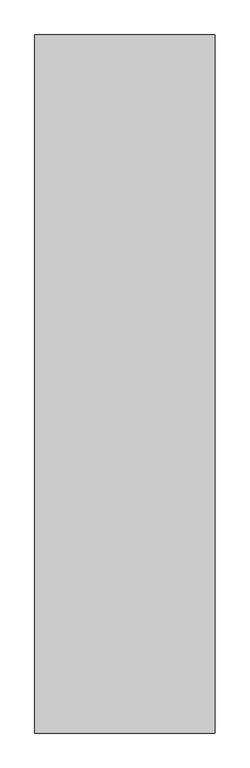
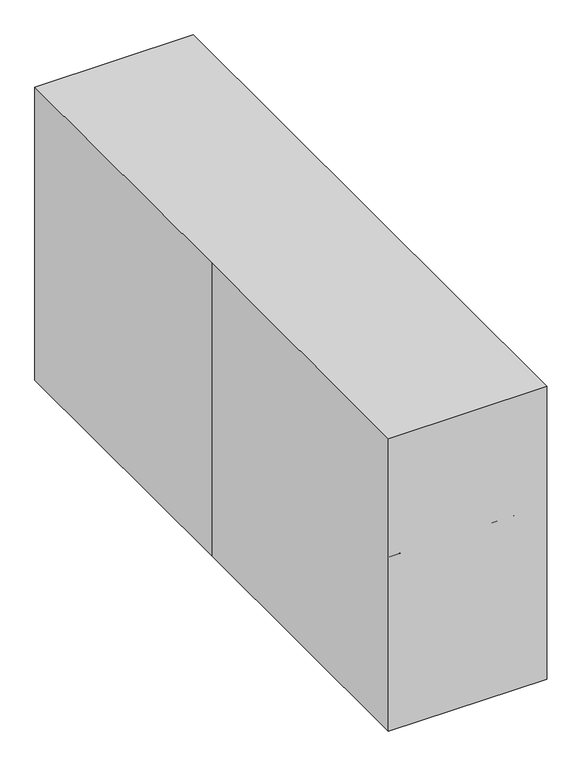
"""IFC4 building model written with IfcOpenShell, lengths in millimetres: proxy geometry."""

from ifc_helpers import new_model, si_unit, point, frame, frame_2d, origin, origin_with_axes, place, context, project, spatial, polyline, circle_curve, ellipse_curve, trimmed, segment, composite_curve, outline, extrude, source, transform, mapped, element, save
from ifc_brep_helpers import plane_surface, cylinder_surface, revolved_surface, advanced_brep


def specialty_equipment_2b31abdf(model_context):
    return source(origin(), model_context, "Body", "SolidModel", [
        extrude(outline(composite_curve([segment(polyline([(-701.3262062, 68.58), (-637.8262062, 68.58), (-637.8262062, 68.2285141), (-660.924924, 23.4282079)]), True, "CONTINUOUS"), segment(trimmed(circle_curve(frame_2d((-679.9377612, 33.231091)), 21.3912247), [point((-660.924924, 23.4282079))], [point((-701.3262062, 32.886248))], False, "CARTESIAN"), True, "CONTINUOUS"), segment(polyline([(-701.3262062, 32.886248), (-701.3262062, 68.58)]), True, "CONTINUOUS")], self_intersect=False)), frame((-214.2384318, 0.0, 0.0), z_axis=(1.0, 0.0, 0.0), x_axis=(0.0, 1.0, 0.0)), (0.0, 0.0, 1.0), 6.35),
        extrude(outline(composite_curve([segment(polyline([(-701.3262062, 68.58), (-637.8262062, 68.58), (-637.8262062, 68.2285141), (-660.924924, 23.4282079)]), True, "CONTINUOUS"), segment(trimmed(circle_curve(frame_2d((-679.9377612, 33.231091)), 21.3912247), [point((-660.924924, 23.4282079))], [point((-701.3262062, 32.886248))], False, "CARTESIAN"), True, "CONTINUOUS"), segment(polyline([(-701.3262062, 32.886248), (-701.3262062, 68.58)]), True, "CONTINUOUS")], self_intersect=False)), frame((-169.7884318, 0.0, 0.0), z_axis=(1.0, 0.0, 0.0), x_axis=(0.0, 1.0, 0.0)), (0.0, 0.0, 1.0), 6.35),
        extrude(outline(composite_curve([segment(polyline([(-701.3262062, 68.58), (-637.8262062, 68.58), (-637.8262062, 67.452784), (-662.8985161, 20.2986271)]), True, "CONTINUOUS"), segment(trimmed(circle_curve(frame_2d((-679.9377612, 33.231091)), 21.3912247), [point((-662.8985161, 20.2986271))], [point((-701.3262062, 32.886248))], False, "CARTESIAN"), True, "CONTINUOUS"), segment(polyline([(-701.3262062, 32.886248), (-701.3262062, 68.58)]), True, "CONTINUOUS")], self_intersect=False)), frame((166.7615682, 0.0, 0.0), z_axis=(1.0, 0.0, 0.0), x_axis=(0.0, 1.0, 0.0)), (0.0, 0.0, 1.0), 6.35),
        extrude(outline(composite_curve([segment(polyline([(-701.3262062, 68.58), (-637.8262062, 68.58), (-637.8262062, 67.452784), (-662.8985161, 20.2986271)]), True, "CONTINUOUS"), segment(trimmed(circle_curve(frame_2d((-679.9377612, 33.231091)), 21.3912247), [point((-662.8985161, 20.2986271))], [point((-701.3262062, 32.886248))], False, "CARTESIAN"), True, "CONTINUOUS"), segment(polyline([(-701.3262062, 32.886248), (-701.3262062, 68.58)]), True, "CONTINUOUS")], self_intersect=False)), frame((211.2115682, 0.0, 0.0), z_axis=(1.0, 0.0, 0.0), x_axis=(0.0, 1.0, 0.0)), (0.0, 0.0, 1.0), 6.35),
        extrude(outline(composite_curve([segment(polyline([(98.7737938, 68.58), (162.2737938, 68.58), (138.8562809, 23.1613859)]), True, "CONTINUOUS"), segment(trimmed(circle_curve(frame_2d((119.9947663, 32.886248)), 21.2209725), [point((138.8562809, 23.1613859))], [point((119.9947663, 11.6652755))], False, "CARTESIAN"), True, "CONTINUOUS"), segment(trimmed(circle_curve(frame_2d((119.9947663, 32.886248)), 21.2209725), [point((119.9947663, 11.6652755))], [point((98.7737938, 32.886248))], False, "CARTESIAN"), True, "CONTINUOUS"), segment(polyline([(98.7737938, 32.886248), (98.7737938, 68.58)]), True, "CONTINUOUS")], self_intersect=False)), frame((166.7615682, 0.0, 0.0), z_axis=(1.0, 0.0, 0.0), x_axis=(0.0, 1.0, 0.0)), (0.0, 0.0, 1.0), 6.35),
        extrude(outline(composite_curve([segment(polyline([(98.7737938, 68.58), (162.2737938, 68.58), (138.8562809, 23.1613859)]), True, "CONTINUOUS"), segment(trimmed(circle_curve(frame_2d((119.9947663, 32.886248)), 21.2209725), [point((138.8562809, 23.1613859))], [point((119.9947663, 11.6652755))], False, "CARTESIAN"), True, "CONTINUOUS"), segment(trimmed(circle_curve(frame_2d((119.9947663, 32.886248)), 21.2209725), [point((119.9947663, 11.6652755))], [point((98.7737938, 32.886248))], False, "CARTESIAN"), True, "CONTINUOUS"), segment(polyline([(98.7737938, 32.886248), (98.7737938, 68.58)]), True, "CONTINUOUS")], self_intersect=False)), frame((211.2115682, 0.0, 0.0), z_axis=(1.0, 0.0, 0.0), x_axis=(0.0, 1.0, 0.0)), (0.0, 0.0, 1.0), 6.35),
        extrude(outline(composite_curve([segment(polyline([(98.7737938, 68.58), (162.2737938, 68.58), (162.2737938, 68.2285141), (139.175076, 23.4282079)]), True, "CONTINUOUS"), segment(trimmed(circle_curve(frame_2d((120.1622388, 33.231091)), 21.3912247), [point((139.175076, 23.4282079))], [point((98.7737938, 32.886248))], False, "CARTESIAN"), True, "CONTINUOUS"), segment(polyline([(98.7737938, 32.886248), (98.7737938, 68.58)]), True, "CONTINUOUS")], self_intersect=False)), frame((-214.2384318, 0.0, 0.0), z_axis=(1.0, 0.0, 0.0), x_axis=(0.0, 1.0, 0.0)), (0.0, 0.0, 1.0), 6.35),
        extrude(outline(composite_curve([segment(polyline([(98.7737938, 68.58), (162.2737938, 68.58), (162.2737938, 68.2285141), (139.175076, 23.4282079)]), True, "CONTINUOUS"), segment(trimmed(circle_curve(frame_2d((120.1622388, 33.231091)), 21.3912247), [point((139.175076, 23.4282079))], [point((98.7737938, 32.886248))], False, "CARTESIAN"), True, "CONTINUOUS"), segment(polyline([(98.7737938, 32.886248), (98.7737938, 68.58)]), True, "CONTINUOUS")], self_intersect=False)), frame((-169.7884318, 0.0, 0.0), z_axis=(1.0, 0.0, 0.0), x_axis=(0.0, 1.0, 0.0)), (0.0, 0.0, 1.0), 6.35),
        extrude(outline(composite_curve([segment(trimmed(circle_curve(frame_2d((-207.6028702, -735.8269081)), 19.05), [point((-207.6028702, -754.8769081))], [point((-207.6028702, -716.7769081))], False, "CARTESIAN"), True, "CONTINUOUS"), segment(trimmed(circle_curve(frame_2d((-207.6028702, -735.8269081)), 19.05), [point((-207.6028702, -716.7769081))], [point((-207.6028702, -754.8769081))], False, "CARTESIAN"), True, "CONTINUOUS")], self_intersect=False)), frame((0.0, 0.0, 13.97), z_axis=(0.0, 0.0, 1.0), x_axis=(1.0, 0.0, 0.0)), (0.0, 0.0, 1.0), 17.78),
        extrude(outline(composite_curve([segment(trimmed(circle_curve(frame_2d((204.9105492, -735.8439734)), 19.05), [point((204.9105492, -754.8939734))], [point((204.9105492, -716.7939734))], False, "CARTESIAN"), True, "CONTINUOUS"), segment(trimmed(circle_curve(frame_2d((204.9105492, -735.8439734)), 19.05), [point((204.9105492, -716.7939734))], [point((204.9105492, -754.8939734))], False, "CARTESIAN"), True, "CONTINUOUS")], self_intersect=False)), frame((0.0, 0.0, 13.97), z_axis=(0.0, 0.0, 1.0), x_axis=(1.0, 0.0, 0.0)), (0.0, 0.0, 1.0), 17.78),
        extrude(outline(composite_curve([segment(trimmed(circle_curve(frame_2d((209.3414933, 29.2627713)), 19.05), [point((209.3414933, 10.2127713))], [point((209.3414933, 48.3127713))], False, "CARTESIAN"), True, "CONTINUOUS"), segment(trimmed(circle_curve(frame_2d((209.3414933, 29.2627713)), 19.05), [point((209.3414933, 48.3127713))], [point((209.3414933, 10.2127713))], False, "CARTESIAN"), True, "CONTINUOUS")], self_intersect=False)), frame((0.0, 0.0, 13.97), z_axis=(0.0, 0.0, 1.0), x_axis=(1.0, 0.0, 0.0)), (0.0, 0.0, 1.0), 17.78),
        extrude(outline(composite_curve([segment(trimmed(circle_curve(frame_2d((-204.9324436, 29.2627713)), 19.05), [point((-204.9324436, 48.3127713))], [point((-204.9324436, 10.2127713))], False, "CARTESIAN"), True, "CONTINUOUS"), segment(trimmed(circle_curve(frame_2d((-204.9324436, 29.2627713)), 19.05), [point((-204.9324436, 10.2127713))], [point((-204.9324436, 48.3127713))], False, "CARTESIAN"), True, "CONTINUOUS")], self_intersect=False)), frame((0.0, 0.0, 13.97), z_axis=(0.0, 0.0, 1.0), x_axis=(1.0, 0.0, 0.0)), (0.0, 0.0, 1.0), 17.78),
        extrude(outline(polyline([(-227.1574436, 51.4877713), (-182.7074436, 51.4877713), (-182.7074436, 7.0377713), (-227.1574436, 7.0377713), (-227.1574436, 51.4877713)])), frame((0.0, 0.0, 31.75), z_axis=(0.0, 0.0, 1.0), x_axis=(1.0, 0.0, 0.0)), (0.0, 0.0, 1.0), 38.1),
        extrude(outline(polyline([(187.1164933, 51.4877713), (231.5664933, 51.4877713), (231.5664933, 7.0377713), (187.1164933, 7.0377713), (187.1164933, 51.4877713)])), frame((0.0, 0.0, 31.75), z_axis=(0.0, 0.0, 1.0), x_axis=(1.0, 0.0, 0.0)), (0.0, 0.0, 1.0), 38.1),
        extrude(outline(polyline([(182.6855492, -713.6189734), (227.1355492, -713.6189734), (227.1355492, -758.0689734), (182.6855492, -758.0689734), (182.6855492, -713.6189734)])), frame((0.0, 0.0, 31.75), z_axis=(0.0, 0.0, 1.0), x_axis=(1.0, 0.0, 0.0)), (0.0, 0.0, 1.0), 38.1),
        extrude(outline(polyline([(-229.8278702, -713.6189734), (-185.3778702, -713.6189734), (-185.3778702, -758.0689734), (-229.8278702, -758.0689734), (-229.8278702, -713.6189734)])), frame((0.0, 0.0, 31.75), z_axis=(0.0, 0.0, 1.0), x_axis=(1.0, 0.0, 0.0)), (0.0, 0.0, 1.0), 38.1),
        advanced_brep(
        [(234.95, 162.4550175, 124.46), (228.6, 168.8050175, 124.46), (-228.6, 168.8050175, 124.46), (-234.95, 162.4550175, 124.46), (-234.95, -751.9449825, 124.46), (-228.6, -758.2949825, 124.46), (228.6, -758.2949825, 124.46), (234.95, -751.9449825, 124.46), (-228.6, -764.6449825, 68.58), (-241.3, -751.9449825, 68.58), (-241.3, 162.4550175, 68.58), (-228.6, 175.1550175, 68.58), (228.6, 175.1550175, 68.58), (241.3, 162.4550175, 68.58), (241.3, -751.9449825, 68.58), (228.6, -764.6449825, 68.58), (228.6, -764.6449825, 118.11), (-228.6, -764.6449825, 118.11), (241.3, -751.9449825, 118.1100074), (241.3, 162.4550175, 118.1100071), (228.6, 175.1550175, 118.110007), (-228.6, 175.1550175, 118.11), (-241.3, 162.4550175, 118.110007), (-241.3, -751.9449825, 118.11)],
        [
            (0, 1, circle_curve(frame((228.6, 162.4550175, 124.46), z_axis=(0.0, 0.0, 1.0), x_axis=(1.0, 0.0, 0.0)), 6.35)),
            (1, 2),
            (2, 3, circle_curve(frame((-228.6, 162.4550175, 124.46), z_axis=(0.0, 0.0, 1.0), x_axis=(0.0, 1.0, 0.0)), 6.35)),
            (3, 4),
            (4, 5, circle_curve(frame((-228.6, -751.9449825, 124.46), z_axis=(0.0, 0.0, 1.0), x_axis=(-1.0, 0.0, 0.0)), 6.35)),
            (5, 6),
            (6, 7, circle_curve(frame((228.6, -751.9449825, 124.46), z_axis=(0.0, 0.0, 1.0), x_axis=(0.0, -1.0, 0.0)), 6.35)),
            (7, 0),
            (8, 9, circle_curve(frame((-228.6, -751.9449825, 68.58), z_axis=(0.0, 0.0, -1.0), x_axis=(0.0, 1.0, 0.0)), 12.7)),
            (9, 10),
            (10, 11, circle_curve(frame((-228.6, 162.4550175, 68.58), z_axis=(0.0, 0.0, -1.0), x_axis=(0.0, 1.0, 0.0)), 12.7)),
            (11, 12),
            (12, 13, circle_curve(frame((228.6, 162.4550175, 68.58), z_axis=(0.0, 0.0, -1.0), x_axis=(0.0, 1.0, 0.0)), 12.7)),
            (13, 14),
            (14, 15, circle_curve(frame((228.6, -751.9449825, 68.58), z_axis=(0.0, 0.0, -1.0), x_axis=(0.0, 1.0, 0.0)), 12.7)),
            (15, 8),
            (15, 16),
            (16, 17),
            (17, 8),
            (14, 18),
            (18, 16, circle_curve(frame((228.6, -751.9449825, 118.11), z_axis=(0.0, 0.0, -1.0), x_axis=(0.0, 1.0, 0.0)), 12.7)),
            (13, 19),
            (19, 18),
            (12, 20),
            (20, 19, circle_curve(frame((228.6, 162.4550175, 118.11), z_axis=(0.0, 0.0, -1.0), x_axis=(0.0, 1.0, 0.0)), 12.7)),
            (11, 21),
            (21, 20),
            (10, 22),
            (22, 21, circle_curve(frame((-228.6, 162.4550175, 118.11), z_axis=(0.0, 0.0, -1.0), x_axis=(0.0, 1.0, 0.0)), 12.7)),
            (9, 23),
            (23, 22),
            (17, 23, circle_curve(frame((-228.6, -751.9449825, 118.11), z_axis=(0.0, 0.0, -1.0), x_axis=(0.0, 1.0, 0.0)), 12.7)),
            (20, 1, circle_curve(frame((228.6, 168.8050175, 118.11), z_axis=(1.0, 0.0, 0.0), x_axis=(0.0, 1.0, 0.0)), 6.35)),
            (0, 19, circle_curve(frame((234.95, 162.4550175, 118.11), z_axis=(0.0, 1.0, 0.0), x_axis=(1.0, 0.0, 0.0)), 6.35)),
            (21, 2, circle_curve(frame((-228.6, 168.8050175, 118.11), z_axis=(1.0, 0.0, 0.0), x_axis=(0.0, 1.0, 0.0)), 6.35)),
            (22, 3, circle_curve(frame((-234.95, 162.4550175, 118.11), z_axis=(0.0, 1.0, 0.0), x_axis=(-1.0, 0.0, 0.0)), 6.35)),
            (23, 4, circle_curve(frame((-234.95, -751.9449825, 118.11), z_axis=(0.0, 1.0, 0.0), x_axis=(-1.0, 0.0, 0.0)), 6.35)),
            (17, 5, circle_curve(frame((-228.6, -758.2949825, 118.11), z_axis=(-1.0, 0.0, 0.0), x_axis=(0.0, -1.0, 0.0)), 6.35)),
            (16, 6, circle_curve(frame((228.6, -758.2949825, 118.11), z_axis=(-1.0, 0.0, 0.0), x_axis=(0.0, -1.0, 0.0)), 6.35)),
            (18, 7, circle_curve(frame((234.95, -751.9449825, 118.11), z_axis=(0.0, -1.0, 0.0), x_axis=(1.0, 0.0, 0.0)), 6.35)),
        ],
        [
            plane_surface(frame((241.3, -764.6449825, 124.46), z_axis=(0.0, 0.0, 1.0), x_axis=(1.0, 0.0, 0.0))),
            plane_surface(frame((241.3, -764.6449825, 68.58), z_axis=(0.0, 0.0, -1.0), x_axis=(-1.0, 0.0, 0.0))),
            plane_surface(frame((-228.6, -764.6449825, 124.46), z_axis=(0.0, -1.0, 0.0), x_axis=(0.0, 0.0, -1.0))),
            cylinder_surface(frame((228.6, -751.9449825, 68.58), z_axis=(0.0, 0.0, 1.0), x_axis=(0.0, 1.0, 0.0)), 12.7),
            plane_surface(frame((241.3, -751.9449825, 124.46), z_axis=(1.0, 0.0, 0.0), x_axis=(0.0, 0.0, -1.0))),
            cylinder_surface(frame((228.6, 162.4550175, 68.58), z_axis=(0.0, 0.0, 1.0), x_axis=(0.0, 1.0, 0.0)), 12.7),
            plane_surface(frame((228.6, 175.1550175, 124.46), z_axis=(0.0, 1.0, 0.0), x_axis=(0.0, 0.0, -1.0))),
            cylinder_surface(frame((-228.6, 162.4550175, 68.58), z_axis=(0.0, 0.0, 1.0), x_axis=(0.0, 1.0, 0.0)), 12.7),
            plane_surface(frame((-241.3, 162.4550175, 124.46), z_axis=(-1.0, 0.0, 0.0), x_axis=(0.0, 0.0, -1.0))),
            cylinder_surface(frame((-228.6, -751.9449825, 68.58), z_axis=(0.0, 0.0, 1.0), x_axis=(0.0, 1.0, 0.0)), 12.7),
            revolved_surface(trimmed(ellipse_curve(frame((234.95, 162.4550175, 118.11), z_axis=(0.0, -1.0, 0.0), x_axis=(1.0, 0.0, 0.0)), 6.35, 6.35), [point((241.3, 162.4550175, 118.11))], [point((234.95, 162.4550175, 124.46))], True, "CARTESIAN"), (228.6, 162.4550175, 124.46), (0.0, 0.0, 1.0)),
            cylinder_surface(frame((228.6, 168.8050175, 118.11), z_axis=(-1.0, 0.0, 0.0), x_axis=(0.0, 1.0, 0.0)), 6.35),
            revolved_surface(trimmed(ellipse_curve(frame((-228.6, 168.8050175, 118.11), z_axis=(1.0, 0.0, 0.0), x_axis=(0.0, 1.0, 0.0)), 6.35, 6.35), [point((-228.6, 175.1550175, 118.11))], [point((-228.6, 168.8050175, 124.46))], True, "CARTESIAN"), (-228.6, 162.4550175, 124.46), (0.0, 0.0, 1.0)),
            cylinder_surface(frame((-234.95, 162.4550175, 118.11), z_axis=(0.0, -1.0, 0.0), x_axis=(-1.0, 0.0, 0.0)), 6.35),
            revolved_surface(trimmed(ellipse_curve(frame((-234.95, -751.9449825, 118.11), z_axis=(0.0, 1.0, 0.0), x_axis=(-1.0, 0.0, 0.0)), 6.35, 6.35), [point((-241.3, -751.9449825, 118.11))], [point((-234.95, -751.9449825, 124.46))], True, "CARTESIAN"), (-228.6, -751.9449825, 124.46), (0.0, 0.0, 1.0)),
            cylinder_surface(frame((-228.6, -758.2949825, 118.11), z_axis=(1.0, 0.0, 0.0), x_axis=(0.0, -1.0, 0.0)), 6.35),
            revolved_surface(trimmed(ellipse_curve(frame((228.6, -758.2949825, 118.11), z_axis=(-1.0, 0.0, 0.0), x_axis=(0.0, -1.0, 0.0)), 6.35, 6.35), [point((228.6, -764.6449825, 118.11))], [point((228.6, -758.2949825, 124.46))], True, "CARTESIAN"), (228.6, -751.9449825, 124.46), (0.0, 0.0, 1.0)),
            cylinder_surface(frame((234.95, -751.9449825, 118.11), z_axis=(0.0, 1.0, 0.0), x_axis=(1.0, 0.0, 0.0)), 6.35),
        ],
        [
            (0, [[1, 2, 3, 4, 5, 6, 7, 8]]),
            (1, [[9, 10, 11, 12, 13, 14, 15, 16]]),
            (2, [[-16, 17, 18, 19]]),
            (3, [[-15, 20, 21, -17]]),
            (4, [[-14, 22, 23, -20]]),
            (5, [[-13, 24, 25, -22]]),
            (6, [[-12, 26, 27, -24]]),
            (7, [[-11, 28, 29, -26]]),
            (8, [[-10, 30, 31, -28]]),
            (9, [[-9, -19, 32, -30]]),
            (10, [[33, -1, 34, -25]]),
            (11, [[-33, -27, 35, -2]]),
            (12, [[-35, -29, 36, -3]]),
            (13, [[-36, -31, 37, -4]]),
            (14, [[-37, -32, 38, -5]]),
            (15, [[-38, -18, 39, -6]]),
            (16, [[-39, -21, 40, -7]]),
            (17, [[-34, -8, -40, -23]]),
        ],
    ),
        extrude(outline(composite_curve([segment(trimmed(circle_curve(frame_2d((-207.6227319, -735.7509815)), 22.2420654), [point((-185.3806665, -735.7509815))], [point((-229.8647973, -735.7509815))], False, "CARTESIAN"), True, "CONTINUOUS"), segment(trimmed(circle_curve(frame_2d((-207.6227319, -735.7509815)), 22.2420654), [point((-229.8647973, -735.7509815))], [point((-185.3806665, -735.7509815))], False, "CARTESIAN"), True, "CONTINUOUS")], self_intersect=False)), frame((0.0, 0.0, -6.35), z_axis=(0.0, 0.0, 1.0), x_axis=(1.0, 0.0, 0.0)), (0.0, 0.0, 1.0), 20.32),
        extrude(outline(composite_curve([segment(trimmed(circle_curve(frame_2d((204.8906875, -735.7680469)), 22.225), [point((227.1156875, -735.7680469))], [point((182.6656875, -735.7680469))], False, "CARTESIAN"), True, "CONTINUOUS"), segment(trimmed(circle_curve(frame_2d((204.8906875, -735.7680469)), 22.225), [point((182.6656875, -735.7680469))], [point((227.1156875, -735.7680469))], False, "CARTESIAN"), True, "CONTINUOUS")], self_intersect=False)), frame((0.0, 0.0, -6.35), z_axis=(0.0, 0.0, 1.0), x_axis=(1.0, 0.0, 0.0)), (0.0, 0.0, 1.0), 20.32),
        extrude(outline(composite_curve([segment(trimmed(circle_curve(frame_2d((209.3216315, 29.3386979)), 22.225), [point((231.5466315, 29.3386979))], [point((187.0966315, 29.3386979))], False, "CARTESIAN"), True, "CONTINUOUS"), segment(trimmed(circle_curve(frame_2d((209.3216315, 29.3386979)), 22.225), [point((187.0966315, 29.3386979))], [point((231.5466315, 29.3386979))], False, "CARTESIAN"), True, "CONTINUOUS")], self_intersect=False)), frame((0.0, 0.0, -6.35), z_axis=(0.0, 0.0, 1.0), x_axis=(1.0, 0.0, 0.0)), (0.0, 0.0, 1.0), 20.32),
        extrude(outline(composite_curve([segment(trimmed(circle_curve(frame_2d((-204.9523054, 29.3386979)), 22.225), [point((-182.7273054, 29.3386979))], [point((-227.1773054, 29.3386979))], False, "CARTESIAN"), True, "CONTINUOUS"), segment(trimmed(circle_curve(frame_2d((-204.9523054, 29.3386979)), 22.225), [point((-227.1773054, 29.3386979))], [point((-182.7273054, 29.3386979))], False, "CARTESIAN"), True, "CONTINUOUS")], self_intersect=False)), frame((0.0, 0.0, -6.35), z_axis=(0.0, 0.0, 1.0), x_axis=(1.0, 0.0, 0.0)), (0.0, 0.0, 1.0), 20.32),
        extrude(outline(composite_curve([segment(trimmed(circle_curve(frame_2d((-207.6227319, -735.7509815)), 19.05), [point((-226.6727319, -735.7509815))], [point((-188.5727319, -735.7509815))], False, "CARTESIAN"), True, "CONTINUOUS"), segment(trimmed(circle_curve(frame_2d((-207.6227319, -735.7509815)), 19.05), [point((-188.5727319, -735.7509815))], [point((-226.6727319, -735.7509815))], False, "CARTESIAN"), True, "CONTINUOUS")], self_intersect=False)), frame((0.0, 0.0, 68.58), z_axis=(0.0, 0.0, 1.0), x_axis=(1.0, 0.0, 0.0)), (0.0, 0.0, 1.0), 17.78),
        extrude(outline(composite_curve([segment(trimmed(circle_curve(frame_2d((204.8906875, -735.7680469)), 19.05), [point((185.8406875, -735.7680469))], [point((223.9406875, -735.7680469))], False, "CARTESIAN"), True, "CONTINUOUS"), segment(trimmed(circle_curve(frame_2d((204.8906875, -735.7680469)), 19.05), [point((223.9406875, -735.7680469))], [point((185.8406875, -735.7680469))], False, "CARTESIAN"), True, "CONTINUOUS")], self_intersect=False)), frame((0.0, 0.0, 68.58), z_axis=(0.0, 0.0, 1.0), x_axis=(1.0, 0.0, 0.0)), (0.0, 0.0, 1.0), 17.78),
        extrude(outline(composite_curve([segment(trimmed(circle_curve(frame_2d((209.3216315, 29.3386979)), 19.05), [point((190.2716315, 29.3386979))], [point((228.3716315, 29.3386979))], False, "CARTESIAN"), True, "CONTINUOUS"), segment(trimmed(circle_curve(frame_2d((209.3216315, 29.3386979)), 19.05), [point((228.3716315, 29.3386979))], [point((190.2716315, 29.3386979))], False, "CARTESIAN"), True, "CONTINUOUS")], self_intersect=False)), frame((0.0, 0.0, 68.58), z_axis=(0.0, 0.0, 1.0), x_axis=(1.0, 0.0, 0.0)), (0.0, 0.0, 1.0), 17.78),
        extrude(outline(composite_curve([segment(trimmed(circle_curve(frame_2d((-204.9523054, 29.3386979)), 19.05), [point((-224.0023054, 29.3386979))], [point((-185.9023054, 29.3386979))], False, "CARTESIAN"), True, "CONTINUOUS"), segment(trimmed(circle_curve(frame_2d((-204.9523054, 29.3386979)), 19.05), [point((-185.9023054, 29.3386979))], [point((-224.0023054, 29.3386979))], False, "CARTESIAN"), True, "CONTINUOUS")], self_intersect=False)), frame((0.0, 0.0, 68.58), z_axis=(0.0, 0.0, 1.0), x_axis=(1.0, 0.0, 0.0)), (0.0, 0.0, 1.0), 17.78),
        extrude(outline(composite_curve([segment(trimmed(circle_curve(frame_2d((-679.5190193, 25.419852)), 31.75), [point((-647.7690193, 25.419852))], [point((-711.2690193, 25.419852))], False, "CARTESIAN"), True, "CONTINUOUS"), segment(trimmed(circle_curve(frame_2d((-679.5190193, 25.419852)), 31.75), [point((-711.2690193, 25.419852))], [point((-647.7690193, 25.419852))], False, "CARTESIAN"), True, "CONTINUOUS")], self_intersect=False)), frame((-206.355271, 0.0, 0.0), z_axis=(1.0, 0.0, 0.0), x_axis=(0.0, 1.0, 0.0)), (0.0, 0.0, 1.0), 35.2460826),
        extrude(outline(composite_curve([segment(trimmed(circle_curve(frame_2d((-679.5190193, 25.419852)), 31.75), [point((-647.7690193, 25.419852))], [point((-711.2690193, 25.419852))], False, "CARTESIAN"), True, "CONTINUOUS"), segment(trimmed(circle_curve(frame_2d((-679.5190193, 25.419852)), 31.75), [point((-711.2690193, 25.419852))], [point((-647.7690193, 25.419852))], False, "CARTESIAN"), True, "CONTINUOUS")], self_intersect=False)), frame((174.588566, 0.0, 0.0), z_axis=(1.0, 0.0, 0.0), x_axis=(0.0, 1.0, 0.0)), (0.0, 0.0, 1.0), 34.9482651),
        extrude(outline(polyline([(166.7615682, 98.7737938), (166.7615682, 162.2737938), (217.5615682, 162.2737938), (217.5615682, 98.7737938), (166.7615682, 98.7737938)])), frame((0.0, 0.0, 62.23), z_axis=(0.0, 0.0, 1.0), x_axis=(1.0, 0.0, 0.0)), (0.0, 0.0, 1.0), 6.35),
        extrude(outline(polyline([(166.7615682, -701.3262062), (166.7615682, -637.8262062), (217.5615682, -637.8262062), (217.5615682, -701.3262062), (166.7615682, -701.3262062)])), frame((0.0, 0.0, 62.23), z_axis=(0.0, 0.0, 1.0), x_axis=(1.0, 0.0, 0.0)), (0.0, 0.0, 1.0), 6.35),
        extrude(outline(composite_curve([segment(trimmed(circle_curve(frame_2d((120.5809807, 25.419852)), 31.75), [point((152.3309807, 25.419852))], [point((88.8309807, 25.419852))], False, "CARTESIAN"), True, "CONTINUOUS"), segment(trimmed(circle_curve(frame_2d((120.5809807, 25.419852)), 31.75), [point((88.8309807, 25.419852))], [point((152.3309807, 25.419852))], False, "CARTESIAN"), True, "CONTINUOUS")], self_intersect=False)), frame((-206.355271, 0.0, 0.0), z_axis=(1.0, 0.0, 0.0), x_axis=(0.0, 1.0, 0.0)), (0.0, 0.0, 1.0), 35.2460826),
        extrude(outline(composite_curve([segment(trimmed(circle_curve(frame_2d((120.5809807, 25.419852)), 31.75), [point((152.3309807, 25.419852))], [point((88.8309807, 25.419852))], False, "CARTESIAN"), True, "CONTINUOUS"), segment(trimmed(circle_curve(frame_2d((120.5809807, 25.419852)), 31.75), [point((88.8309807, 25.419852))], [point((152.3309807, 25.419852))], False, "CARTESIAN"), True, "CONTINUOUS")], self_intersect=False)), frame((174.588566, 0.0, 0.0), z_axis=(1.0, 0.0, 0.0), x_axis=(0.0, 1.0, 0.0)), (0.0, 0.0, 1.0), 34.9482651),
        extrude(outline(polyline([(-214.2384318, 98.7737938), (-214.2384318, 162.2737938), (-163.4384318, 162.2737938), (-163.4384318, 98.7737938), (-214.2384318, 98.7737938)])), frame((0.0, 0.0, 62.23), z_axis=(0.0, 0.0, 1.0), x_axis=(1.0, 0.0, 0.0)), (0.0, 0.0, 1.0), 6.35),
        extrude(outline(polyline([(-214.2384318, -701.3262062), (-214.2384318, -637.8262062), (-163.4384318, -637.8262062), (-163.4384318, -701.3262062), (-214.2384318, -701.3262062)])), frame((0.0, 0.0, 62.23), z_axis=(0.0, 0.0, 1.0), x_axis=(1.0, 0.0, 0.0)), (0.0, 0.0, 1.0), 6.35),
        extrude(outline(composite_curve([segment(trimmed(circle_curve(frame_2d((60.7462806, 306.6283587)), 307.4892504), [point((101.8956034, 611.3517946))], [point((20.1910322, 611.4314279))], True, "CARTESIAN"), True, "CONTINUOUS"), segment(polyline([(20.1910322, 611.4314279), (20.1910322, 617.8362426)]), True, "CONTINUOUS"), segment(trimmed(circle_curve(frame_2d((60.7462806, 306.6283587)), 313.8392504), [point((20.1910322, 617.8362426))], [point((101.8956034, 617.7582486))], False, "CARTESIAN"), True, "CONTINUOUS"), segment(polyline([(101.8956034, 617.7582486), (101.8956034, 611.3517946)]), True, "CONTINUOUS")], self_intersect=False)), frame((-249.936, 0.0, 0.0), z_axis=(1.0, 0.0, 0.0), x_axis=(0.0, 1.0, 0.0)), (0.0, 0.0, 1.0), 499.872),
        extrude(outline(composite_curve([segment(polyline([(249.936, 1010.1989864), (249.936, 690.1589864), (195.3656875, 690.1589864)]), True, "CONTINUOUS"), segment(trimmed(circle_curve(frame_2d((182.6656875, 690.1589864)), 12.7), [point((195.3656875, 690.1589864))], [point((169.9656875, 690.1589864))], True, "CARTESIAN"), True, "CONTINUOUS"), segment(polyline([(169.9656875, 690.1589864), (-169.9656875, 690.1589864)]), True, "CONTINUOUS"), segment(trimmed(circle_curve(frame_2d((-182.6656875, 690.1589864)), 12.7), [point((-169.9656875, 690.1589864))], [point((-195.3656875, 690.1589864))], True, "CARTESIAN"), True, "CONTINUOUS"), segment(polyline([(-195.3656875, 690.1589864), (-249.936, 690.1589864), (-249.936, 1010.1989864), (249.936, 1010.1989864)]), True, "CONTINUOUS")], self_intersect=False)), frame((0.0, 0.0, 612.6617945), z_axis=(0.0, 0.0, 1.0), x_axis=(1.0, 0.0, 0.0)), (0.0, 0.0, 1.0), 9.525),
        extrude(outline(polyline([(249.936, 661.8096267), (249.936, 198.2596267), (-249.936, 198.2596267), (-249.936, 661.8096267), (249.936, 661.8096267)])), frame((0.0, 0.0, 611.2364348), z_axis=(0.0, 0.0, 1.0), x_axis=(1.0, 0.0, 0.0)), (0.0, 0.0, 1.0), 9.525),
        extrude(outline(polyline([(-169.9656875, -424.0822398), (-249.936, -424.0822398), (-249.936, 18.751529), (249.936, 18.751529), (249.936, -424.0822398), (169.9656875, -424.0822398), (79.6469348, -333.7634871), (0.0, -333.7634871), (-79.6469348, -333.7634871), (-169.9656875, -424.0822398)])), frame((0.0, 0.0, 611.2364348), z_axis=(0.0, 0.0, 1.0), x_axis=(1.0, 0.0, 0.0)), (0.0, 0.0, 1.0), 9.525),
        extrude(outline(polyline([(-249.936, 102.7410322), (-249.936, 172.8596267), (249.936, 172.8596267), (249.936, 102.7410322), (-249.936, 102.7410322)])), frame((0.0, 0.0, 611.2364348), z_axis=(0.0, 0.0, 1.0), x_axis=(1.0, 0.0, 0.0)), (0.0, 0.0, 1.0), 9.525),
        extrude(outline(polyline([(249.936, -1028.7), (0.0, -1028.7), (-249.936, -1028.7), (-249.936, -444.5), (-168.6440136, -444.5), (-87.988181, -584.2), (0.0, -584.2), (79.8537285, -584.2), (160.5095611, -444.5), (249.936, -444.5), (249.936, -1028.7)])), frame((0.0, 0.0, 611.2364348), z_axis=(0.0, 0.0, 1.0), x_axis=(1.0, 0.0, 0.0)), (0.0, 0.0, 1.0), 9.525),
        extrude(outline(composite_curve([segment(polyline([(1010.1989864, 612.6617945), (1010.1989864, 580.9117945), (841.0349864, 580.9117945), (829.8589864, 569.7357945), (753.6589864, 569.7357945)]), True, "CONTINUOUS"), segment(trimmed(circle_curve(frame_2d((721.9089864, 592.6791663)), 39.1721944), [point((753.6589864, 569.7357945))], [point((690.1589864, 569.7357945))], False, "CARTESIAN"), True, "CONTINUOUS"), segment(polyline([(690.1589864, 569.7357945), (690.1589864, 612.6617945), (1010.1989864, 612.6617945)]), True, "CONTINUOUS")], self_intersect=False)), frame((-249.936, 0.0, 0.0), z_axis=(1.0, 0.0, 0.0), x_axis=(0.0, 1.0, 0.0)), (0.0, 0.0, 1.0), 50.8),
        extrude(outline(composite_curve([segment(polyline([(1010.1989864, 612.6617945), (1010.1989864, 580.9117945), (841.0349864, 580.9117945), (829.8589864, 569.7357945), (753.6589864, 569.7357945)]), True, "CONTINUOUS"), segment(trimmed(circle_curve(frame_2d((721.9089864, 592.6791663)), 39.1721944), [point((753.6589864, 569.7357945))], [point((690.1589864, 569.7357945))], False, "CARTESIAN"), True, "CONTINUOUS"), segment(polyline([(690.1589864, 569.7357945), (690.1589864, 612.6617945), (1010.1989864, 612.6617945)]), True, "CONTINUOUS")], self_intersect=False)), frame((199.136, 0.0, 0.0), z_axis=(1.0, 0.0, 0.0), x_axis=(0.0, 1.0, 0.0)), (0.0, 0.0, 1.0), 50.8),
        extrude(outline(composite_curve([segment(polyline([(661.8096267, 611.2364348), (661.8096267, 565.74352)]), True, "CONTINUOUS"), segment(trimmed(circle_curve(frame_2d((649.1096267, 565.74352)), 12.7), [point((661.8096267, 565.74352))], [point((650.1952065, 553.090002))], False, "CARTESIAN"), True, "CONTINUOUS"), segment(polyline([(650.1952065, 553.090002), (292.7041466, 522.4198699)]), True, "CONTINUOUS"), segment(trimmed(circle_curve(frame_2d((291.6185668, 535.0733878)), 12.7), [point((292.7041466, 522.4198699))], [point((290.7577791, 522.4025929))], False, "CARTESIAN"), True, "CONTINUOUS"), segment(polyline([(290.7577791, 522.4025929), (210.098839, 527.8821404)]), True, "CONTINUOUS"), segment(trimmed(circle_curve(frame_2d((210.9596267, 540.5529354)), 12.7), [point((210.098839, 527.8821404))], [point((198.2596267, 540.5529354))], False, "CARTESIAN"), True, "CONTINUOUS"), segment(polyline([(198.2596267, 540.5529354), (198.2596267, 611.2364348), (661.8096267, 611.2364348)]), True, "CONTINUOUS")], self_intersect=False)), frame((-249.936, 0.0, 0.0), z_axis=(1.0, 0.0, 0.0), x_axis=(0.0, 1.0, 0.0)), (0.0, 0.0, 1.0), 79.9703125),
        extrude(outline(composite_curve([segment(polyline([(661.8096267, 611.2364348), (661.8096267, 565.74352)]), True, "CONTINUOUS"), segment(trimmed(circle_curve(frame_2d((649.1096267, 565.74352)), 12.7), [point((661.8096267, 565.74352))], [point((650.1952065, 553.090002))], False, "CARTESIAN"), True, "CONTINUOUS"), segment(polyline([(650.1952065, 553.090002), (292.7041466, 522.4198699)]), True, "CONTINUOUS"), segment(trimmed(circle_curve(frame_2d((291.6185668, 535.0733878)), 12.7), [point((292.7041466, 522.4198699))], [point((290.7577791, 522.4025929))], False, "CARTESIAN"), True, "CONTINUOUS"), segment(polyline([(290.7577791, 522.4025929), (210.098839, 527.8821404)]), True, "CONTINUOUS"), segment(trimmed(circle_curve(frame_2d((210.9596267, 540.5529354)), 12.7), [point((210.098839, 527.8821404))], [point((198.2596267, 540.5529354))], False, "CARTESIAN"), True, "CONTINUOUS"), segment(polyline([(198.2596267, 540.5529354), (198.2596267, 611.2364348), (661.8096267, 611.2364348)]), True, "CONTINUOUS")], self_intersect=False)), frame((169.9656875, 0.0, 0.0), z_axis=(1.0, 0.0, 0.0), x_axis=(0.0, 1.0, 0.0)), (0.0, 0.0, 1.0), 79.9703125),
        extrude(outline(composite_curve([segment(polyline([(-1028.7, 611.2364348), (-444.5, 611.2364348), (-444.5, 567.5571592), (-471.6088089, 567.5571592)]), True, "CONTINUOUS"), segment(trimmed(circle_curve(frame_2d((-471.6088089, 542.1571592)), 25.4), [point((-471.6088089, 567.5571592))], [point((-489.2739106, 560.4083011))], True, "CARTESIAN"), True, "CONTINUOUS"), segment(trimmed(circle_curve(frame_2d((-556.4326051, 629.7949871)), 96.5650166), [point((-489.2739106, 560.4083011))], [point((-566.3827745, 533.7439769))], False, "CARTESIAN"), True, "CONTINUOUS"), segment(polyline([(-566.3827745, 533.7439769), (-978.2616925, 573.1364348)]), True, "CONTINUOUS"), segment(trimmed(circle_curve(frame_2d((-987.6058462, 577.1067502)), 10.1526654), [point((-978.2616925, 573.1364348))], [point((-996.95, 573.1364348))], False, "CARTESIAN"), True, "CONTINUOUS"), segment(polyline([(-996.95, 573.1364348), (-1028.7, 573.1364348), (-1028.7, 611.2364348)]), True, "CONTINUOUS")], self_intersect=False)), frame((-249.936, 0.0, 0.0), z_axis=(1.0, 0.0, 0.0), x_axis=(0.0, 1.0, 0.0)), (0.0, 0.0, 1.0), 79.9703125),
        extrude(outline(composite_curve([segment(polyline([(-1028.7, 611.2364348), (-444.5, 611.2364348), (-444.5, 567.5571592), (-471.6088089, 567.5571592)]), True, "CONTINUOUS"), segment(trimmed(circle_curve(frame_2d((-471.6088089, 542.1571592)), 25.4), [point((-471.6088089, 567.5571592))], [point((-489.2739106, 560.4083011))], True, "CARTESIAN"), True, "CONTINUOUS"), segment(trimmed(circle_curve(frame_2d((-556.4326051, 629.7949871)), 96.5650166), [point((-489.2739106, 560.4083011))], [point((-566.3827745, 533.7439769))], False, "CARTESIAN"), True, "CONTINUOUS"), segment(polyline([(-566.3827745, 533.7439769), (-978.2616925, 573.1364348)]), True, "CONTINUOUS"), segment(trimmed(circle_curve(frame_2d((-987.6058462, 577.1067502)), 10.1526654), [point((-978.2616925, 573.1364348))], [point((-996.95, 573.1364348))], False, "CARTESIAN"), True, "CONTINUOUS"), segment(polyline([(-996.95, 573.1364348), (-1028.7, 573.1364348), (-1028.7, 611.2364348)]), True, "CONTINUOUS")], self_intersect=False)), frame((169.9656875, 0.0, 0.0), z_axis=(1.0, 0.0, 0.0), x_axis=(0.0, 1.0, 0.0)), (0.0, 0.0, 1.0), 79.9703125),
        extrude(outline(composite_curve([segment(polyline([(-423.9370174, 611.2364348), (160.1596267, 611.2364348)]), True, "CONTINUOUS"), segment(trimmed(circle_curve(frame_2d((160.1596267, 598.5364348)), 12.7), [point((160.1596267, 611.2364348))], [point((172.8596267, 598.5364348))], False, "CARTESIAN"), True, "CONTINUOUS"), segment(polyline([(172.8596267, 598.5364348), (172.8596267, 509.6784609)]), True, "CONTINUOUS"), segment(trimmed(circle_curve(frame_2d((147.4596267, 509.6784609)), 25.4), [point((172.8596267, 509.6784609))], [point((166.9150776, 493.3491794))], False, "CARTESIAN"), True, "CONTINUOUS"), segment(trimmed(circle_curve(frame_2d((61.1580256, 582.1128211)), 138.0707721), [point((166.9150776, 493.3491794))], [point((61.1580256, 444.042049))], False, "CARTESIAN"), True, "CONTINUOUS"), segment(polyline([(61.1580256, 444.042049), (-257.7138789, 444.042049)]), True, "CONTINUOUS"), segment(trimmed(circle_curve(frame_2d((-90.6653733, 681.0864348)), 289.9918), [point((-257.7138789, 444.042049))], [point((-335.0023589, 524.8984662))], False, "CARTESIAN"), True, "CONTINUOUS"), segment(trimmed(circle_curve(frame_2d((-345.7029364, 518.058317)), 12.7), [point((-335.0023589, 524.8984662))], [point((-341.8754768, 530.1678402))], True, "CARTESIAN"), True, "CONTINUOUS"), segment(polyline([(-341.8754768, 530.1678402), (-401.8716397, 549.1308401)]), True, "CONTINUOUS"), segment(trimmed(circle_curve(frame_2d((-392.2903733, 579.4445682)), 31.7918666), [point((-401.8716397, 549.1308401))], [point((-423.9370174, 582.47981))], False, "CARTESIAN"), True, "CONTINUOUS"), segment(polyline([(-423.9370174, 582.47981), (-423.9370174, 611.2364348)]), True, "CONTINUOUS")], self_intersect=False)), frame((-249.936, 0.0, 0.0), z_axis=(1.0, 0.0, 0.0), x_axis=(0.0, 1.0, 0.0)), (0.0, 0.0, 1.0), 79.9703125),
        extrude(outline(composite_curve([segment(polyline([(-423.9370174, 611.2364348), (160.1596267, 611.2364348)]), True, "CONTINUOUS"), segment(trimmed(circle_curve(frame_2d((160.1596267, 598.5364348)), 12.7), [point((160.1596267, 611.2364348))], [point((172.8596267, 598.5364348))], False, "CARTESIAN"), True, "CONTINUOUS"), segment(polyline([(172.8596267, 598.5364348), (172.8596267, 509.6784609)]), True, "CONTINUOUS"), segment(trimmed(circle_curve(frame_2d((147.4596267, 509.6784609)), 25.4), [point((172.8596267, 509.6784609))], [point((166.9150776, 493.3491794))], False, "CARTESIAN"), True, "CONTINUOUS"), segment(trimmed(circle_curve(frame_2d((61.1580256, 582.1128211)), 138.0707721), [point((166.9150776, 493.3491794))], [point((61.1580256, 444.042049))], False, "CARTESIAN"), True, "CONTINUOUS"), segment(polyline([(61.1580256, 444.042049), (-257.7138789, 444.042049)]), True, "CONTINUOUS"), segment(trimmed(circle_curve(frame_2d((-90.6653733, 681.0864348)), 289.9918), [point((-257.7138789, 444.042049))], [point((-335.0023589, 524.8984662))], False, "CARTESIAN"), True, "CONTINUOUS"), segment(trimmed(circle_curve(frame_2d((-345.7029364, 518.058317)), 12.7), [point((-335.0023589, 524.8984662))], [point((-341.8754768, 530.1678402))], True, "CARTESIAN"), True, "CONTINUOUS"), segment(polyline([(-341.8754768, 530.1678402), (-401.8716397, 549.1308401)]), True, "CONTINUOUS"), segment(trimmed(circle_curve(frame_2d((-392.2903733, 579.4445682)), 31.7918666), [point((-401.8716397, 549.1308401))], [point((-423.9370174, 582.47981))], False, "CARTESIAN"), True, "CONTINUOUS"), segment(polyline([(-423.9370174, 582.47981), (-423.9370174, 611.2364348)]), True, "CONTINUOUS")], self_intersect=False)), frame((169.9656875, 0.0, 0.0), z_axis=(1.0, 0.0, 0.0), x_axis=(0.0, 1.0, 0.0)), (0.0, 0.0, 1.0), 79.9703125),
        extrude(outline(polyline([(-137.0134081, 117.7709102), (140.1165357, 117.7709102), (140.1165357, -237.8290898), (-137.0134081, -237.8290898), (-137.0134081, 117.7709102)])), frame((0.0, 0.0, 124.46), z_axis=(0.0, 0.0, 1.0), x_axis=(1.0, 0.0, 0.0)), (0.0, 0.0, 1.0), 3.175),
        extrude(outline(polyline([(-129.2718215, 105.2237405), (131.0781785, 105.2237405), (131.0781785, -234.6728858), (-129.2718215, -234.6728858), (-129.2718215, 105.2237405)])), frame((0.0, 0.0, 356.930784), z_axis=(0.0, 0.0, 1.0), x_axis=(1.0, 0.0, 0.0)), (0.0, 0.0, 1.0), 225.8808752),
        extrude(outline(polyline([(-126.1062256, 101.8956034), (127.8937744, 101.8956034), (127.8937744, -231.3262595), (-126.1062256, -231.3262595), (-126.1062256, 101.8956034)])), frame((0.0, 0.0, 237.6335635), z_axis=(0.0, 0.0, 1.0), x_axis=(1.0, 0.0, 0.0)), (0.0, 0.0, 1.0), 119.2972205),
        extrude(outline(polyline([(-123.19, -227.4349825), (-123.19, -104.2449825), (-123.19, 98.7737938), (0.0, 98.7737938), (123.19, 98.7737938), (123.19, -104.2449825), (123.19, -227.4349825), (0.0, -227.4349825), (-123.19, -227.4349825)])), frame((0.0, 0.0, 120.65), z_axis=(0.0, 0.0, 1.0), x_axis=(1.0, 0.0, 0.0)), (0.0, 0.0, 1.0), 152.4),
        extrude(outline(polyline([(-292.1, 1130.3), (292.1, 1130.3), (292.1, -1130.3), (-292.1, -1130.3), (-292.1, 0.0), (-292.1, 1130.3)])), origin_with_axes(), (0.0, 0.0, 1.0), 1143.0),
    ])


if __name__ == "__main__":
    model = new_model("IFC4")
    model_context = context("Model", 3, world=origin())
    ifc_project = project(units=[si_unit("LENGTHUNIT", "METRE", prefix="MILLI")], contexts=[model_context])
    site = spatial("IfcSite", under=ifc_project)
    building = spatial("IfcBuilding", under=site)
    placement = place(None, origin())
    specialty_equipment_shape = specialty_equipment_2b31abdf(model_context)
    element("IfcBuildingElementProxy", 1, Name="Specialty Equipment", at=placement, inside=building, context=model_context, shape_type="MappedRepresentation", body=[
        mapped(specialty_equipment_shape, transform((0.0, 0.0, 0.0), x_axis=(1.0, 0.0, 0.0), y_axis=(0.0, 1.0, 0.0), z_axis=(0.0, 0.0, 1.0))),
    ])
    save(model, "model.ifc")
